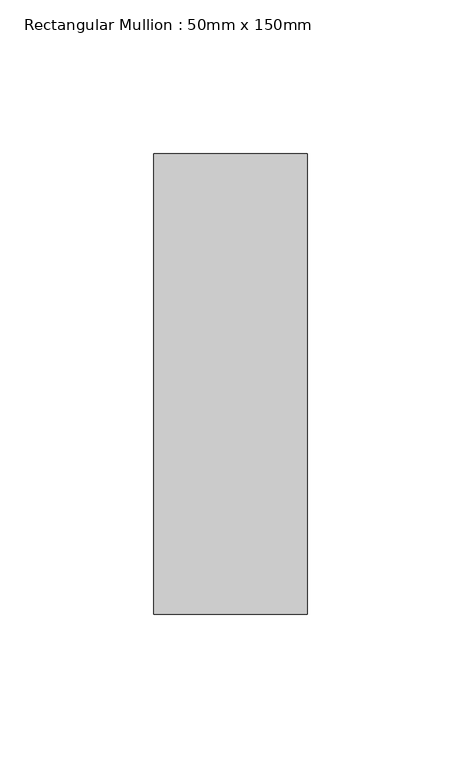
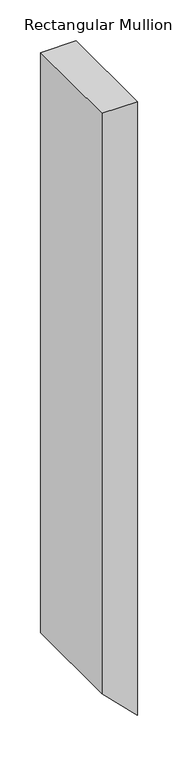
"""IFC4 building model written with IfcOpenShell, lengths in millimetres: member geometry, Rectangular Mullion : 50mm x 150mm."""

from ifc_helpers import new_model, si_unit, frame, origin, place, context, project, spatial, polyline, outline, extrude, source, transform, mapped, element, save


def rectangular_mullion_50mm_x_150mm_697ac1b7(model_context):
    return source(origin(), model_context, "Body", "SweptSolid", [
        extrude(outline(polyline([(0.0, 0.0), (0.0, -50.0), (-866.5819086, -50.0), (-916.5819086, 0.0), (0.0, 0.0)])), frame((0.0, -75.0, 0.0), z_axis=(0.0, 1.0, 0.0), x_axis=(0.0, 0.0, 1.0)), (0.0, 0.0, 1.0), 150.0),
    ])


if __name__ == "__main__":
    model = new_model("IFC4")
    model_context = context("Model", 3, world=origin())
    ifc_project = project(units=[si_unit("LENGTHUNIT", "METRE", prefix="MILLI")], contexts=[model_context])
    site = spatial("IfcSite", under=ifc_project)
    building = spatial("IfcBuilding", under=site)
    placement = place(None, origin())
    rectangular_mullion_50mm_x_150mm_shape = rectangular_mullion_50mm_x_150mm_697ac1b7(model_context)
    element("IfcMember", 1, ObjectType="Rectangular Mullion : 50mm x 150mm", at=placement, inside=building, context=model_context, shape_type="MappedRepresentation", body=[
        mapped(rectangular_mullion_50mm_x_150mm_shape, transform((0.0, 0.0, 0.0), x_axis=(1.0, 0.0, 0.0), y_axis=(0.0, 1.0, 0.0), z_axis=(0.0, 0.0, 1.0))),
    ])
    save(model, "model.ifc")
